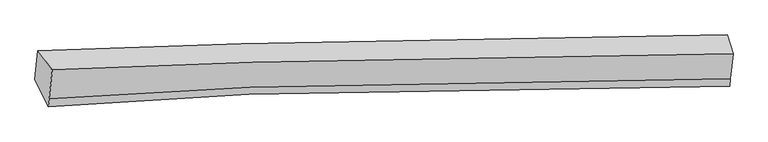
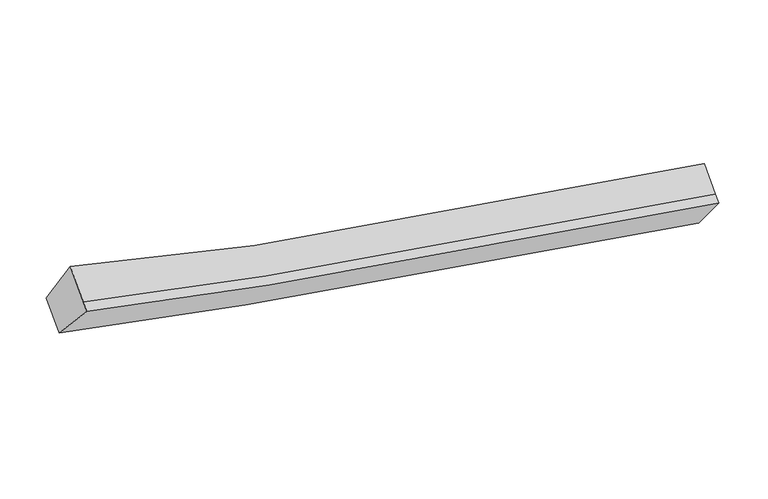
"""IFC4 building model written with IfcOpenShell, lengths in millimetres: proxy geometry."""

from ifc_helpers import new_model, si_unit, frame, origin, place, context, project, spatial, source, transform, mapped, element, save
from ifc_brep_helpers import plane_surface, spline_curve, spline_surface, advanced_brep


def generic_models_58641f17(model_context):
    return source(origin(), model_context, "Body", "AdvancedBrep", [
        advanced_brep(
        [(-4131.4577977, -1794.3491383, 3880.8724164), (-3915.4432486, -2089.2337768, 4520.3234779), (6403.7648188, -1845.2380476, 2508.4089325), (6313.763009, -1558.0313588, 1857.0786569), (-3962.6321239, -2529.0648891, 4200.9288915), (6363.0892222, -2224.3611513, 2233.0990158), (-3975.4551846, -2648.5841829, 4114.1369063), (6350.9808786, -2337.2188156, 2151.1445428), (-4178.0384538, -2228.5112499, 3565.5945195), (6274.6044929, -1923.0142826, 1592.0369927)],
        [
            (0, 1),
            (1, 2, spline_curve(3, [(-3915.4432486, -2089.2337768, 4520.3234779), (-2910.347109742, -2043.827854191, 4235.74039151), (-1899.625805024, -2004.731225942, 3976.442771526), (1514.428185922, -1894.593855345, 3190.362284857), (3943.44290326, -1852.358573711, 2779.021723596), (6403.7648188, -1845.2380476, 2508.4089325)], [4, 2, 4], [0.0, 10.341831749521562, 34.73970044448717])),
            (2, 3),
            (3, 0, spline_curve(3, [(6313.763009, -1558.0313588, 1857.0786569), (3834.645665877, -1581.455435362, 2159.411540796), (1379.317787937, -1627.28186244, 2582.148084116), (-2082.907422688, -1724.431631591, 3355.515960702), (-3109.31981348, -1757.377797521, 3607.377337675), (-4131.4577977, -1794.3491383, 3880.8724164)], [4, 2, 4], [0.0, 24.39786869496561, 34.73970044448717])),
            (1, 4),
            (4, 5, spline_curve(3, [(-3962.6321239, -2529.0648891, 4200.9288915), (-2954.533797502, -2455.676618009, 3936.665901484), (-1941.511633709, -2395.134483688, 3692.941482831), (1477.9154082, -2234.916766729, 2943.228118644), (3906.800359809, -2193.890988725, 2531.009244654), (6363.0892222, -2224.3611513, 2233.0990158)], [4, 2, 4], [0.0, 10.280890533439635, 34.53499013371395])),
            (5, 2),
            (4, 6),
            (6, 7, spline_curve(3, [(-3975.4551846, -2648.5841829, 4114.1369063), (-2967.047696507, -2572.31432408, 3851.966454783), (-1953.787293738, -2509.551646802, 3609.854540399), (1466.201788123, -2344.095349004, 2863.945304269), (3895.08674002, -2303.069571053, 2451.726431005), (6350.9808786, -2337.2188156, 2151.1445428)], [4, 2, 4], [0.0, 10.280636993483268, 34.53413845653062])),
            (7, 5),
            (6, 8),
            (8, 9, spline_curve(3, [(-4178.0384538, -2228.5112499, 3565.5945195), (-3152.689911952, -2161.615416034, 3313.829875025), (-2123.803474361, -2105.60952083, 3078.713909206), (1344.258368187, -1954.058533241, 2344.850865196), (3799.58624603, -1908.232105959, 1922.114321996), (6274.6044929, -1923.0142826, 1592.0369927)], [4, 2, 4], [0.0, 10.34028496562873, 34.73450457489745])),
            (9, 7),
            (8, 0),
            (3, 9),
        ],
        [
            spline_surface(3, 3, [[(-4131.4577977, -1794.3491383, 3880.8724164), (-3109.319813433, -1757.377797535, 3607.377337614), (-2082.90742254, -1724.431631574, 3355.515960767), (1379.317787588, -1627.281862482, 2582.148083964), (3834.645665572, -1581.455435241, 2159.411540972), (6313.763009, -1558.0313588, 1857.0786569)], [(-4059.452947974, -1892.644017813, 4094.022770214), (-3042.99557889, -1852.861149729, 3816.831688925), (-2021.81355001, -1817.864829664, 3562.491564319), (1424.354586924, -1716.385860191, 2784.886151026), (3870.911411437, -1671.756481523, 2365.948268471), (6343.763612274, -1653.766921724, 2074.188748751)], [(-3987.448098326, -1990.938897287, 4307.173124086), (-2976.671344423, -1948.344501883, 4026.286040294), (-1960.719677435, -1911.298027744, 3769.467167857), (1469.391386305, -1805.489857891, 2987.624218071), (3907.177157282, -1762.057527835, 2572.484996017), (6373.764215526, -1749.502484676, 2291.298840649)], [(-3915.4432486, -2089.2337768, 4520.3234779), (-2910.34710988, -2043.827854077, 4235.740391605), (-1899.625804906, -2004.731225834, 3976.442771409), (1514.428185641, -1894.5938556, 3190.362285133), (3943.442903148, -1852.358574118, 2779.021723516), (6403.7648188, -1845.2380476, 2508.4089325)]], [4, 4], [4, 2, 4], [0.0, 2.2527369928043686], [0.0, 10.341831749521562, 34.73970044448717]),
            spline_surface(3, 3, [[(-3915.4432486, -2089.2337768, 4520.3234779), (-2910.34710988, -2043.827854077, 4235.740391605), (-1899.625804906, -2004.731225834, 3976.442771409), (1514.428185641, -1894.5938556, 3190.362285133), (3943.442903148, -1852.358574118, 2779.021723516), (6403.7648188, -1845.2380476, 2508.4089325)], [(-3931.172873722, -2235.844147576, 4413.858615771), (-2925.076005771, -2181.110775377, 4136.048894943), (-1913.58774784, -2134.865645088, 3881.942341933), (1502.257259879, -2008.034826059, 3107.984229503), (3931.228722071, -1966.202712336, 2696.350897329), (6390.206286605, -1971.612415514, 2416.638960257)], [(-3946.902498778, -2382.454518324, 4307.393753629), (-2939.804901596, -2318.39369665, 4036.357398266), (-1927.54969082, -2265.000064333, 3787.441912471), (1490.086334069, -2121.475796509, 3025.606173888), (3919.014540978, -2080.046850512, 2613.68007117), (6376.647754395, -2097.986783386, 2324.868988043)], [(-3962.6321239, -2529.0648891, 4200.9288915), (-2954.533797487, -2455.67661795, 3936.665901604), (-1941.511633754, -2395.134483587, 3692.941482995), (1477.915408307, -2234.916766968, 2943.228118259), (3906.800359901, -2193.890988731, 2531.009244984), (6363.0892222, -2224.3611513, 2233.0990158)]], [4, 4], [4, 2, 4], [0.0, 1.441376065094444], [0.0, 10.280890533439635, 34.53499013371395]),
            spline_surface(3, 3, [[(-3962.6321239, -2529.0648891, 4200.9288915), (-2954.533797487, -2455.67661795, 3936.665901604), (-1941.511633754, -2395.134483587, 3692.941482995), (1477.915408307, -2234.916766968, 2943.228118259), (3906.800359901, -2193.890988731, 2531.009244984), (6363.0892222, -2224.3611513, 2233.0990158)], [(-3966.906477472, -2568.904653693, 4171.998229759), (-2958.705097203, -2494.555853355, 3908.432752645), (-1945.603520462, -2433.273537933, 3665.2458354), (1474.010868308, -2271.309627727, 2916.800513699), (3902.895819903, -2230.283849489, 2504.581640425), (6359.053107653, -2261.980372716, 2205.780858154)], [(-3971.180831028, -2608.744418307, 4143.067568041), (-2962.876396903, -2533.435088781, 3880.199603708), (-1949.695407128, -2471.412592332, 3637.550187845), (1470.106328352, -2307.702488537, 2890.372909179), (3898.991279946, -2266.6767103, 2478.154035805), (6355.016993147, -2299.599594184, 2178.462700446)], [(-3975.4551846, -2648.5841829, 4114.1369063), (-2967.047696619, -2572.314324187, 3851.966454749), (-1953.787293835, -2509.551646678, 3609.85454025), (1466.201788353, -2344.095349296, 2863.94530462), (3895.086739948, -2303.069571058, 2451.726431245), (6350.9808786, -2337.2188156, 2151.1445428)]], [4, 4], [4, 2, 4], [0.0, 0.4501052884720451], [0.0, 10.280636993483268, 34.53413845653062]),
            spline_surface(3, 3, [[(-3975.4551846, -2648.5841829, 4114.1369063), (-2967.047696619, -2572.314324187, 3851.966454749), (-1953.787293835, -2509.551646678, 3609.85454025), (1466.201788353, -2344.095349296, 2863.94530462), (3895.086739948, -2303.069571058, 2451.726431245), (6350.9808786, -2337.2188156, 2151.1445428)], [(-4042.982940992, -2508.559871911, 3931.289444057), (-3028.928435005, -2435.414688127, 3672.58759488), (-2010.459353955, -2374.904271398, 3432.80766322), (1425.553981523, -2214.083077322, 2690.913824866), (3863.253241902, -2171.457082752, 2275.18906161), (6325.522083362, -2199.15063795, 1964.77535943)], [(-4110.510697408, -2368.535560889, 3748.441981743), (-3090.809173416, -2298.515052034, 3493.208734942), (-2067.131414095, -2240.256896073, 3255.760786174), (1384.906174672, -2084.070805304, 2517.882345095), (3831.419743871, -2039.844594396, 2098.651691984), (6300.063288138, -2061.08246025, 1778.40617607)], [(-4178.0384538, -2228.5112499, 3565.5945195), (-3152.689911802, -2161.615415975, 3313.829875074), (-2123.803474215, -2105.609520792, 3078.713909144), (1344.258367841, -1954.05853333, 2344.850865341), (3799.586245825, -1908.232106089, 1922.114322349), (6274.6044929, -1923.0142826, 1592.0369927)]], [4, 4], [4, 2, 4], [0.0, 2.1961581505737864], [0.0, 10.34028496562873, 34.73450457489745]),
            spline_surface(3, 3, [[(-4178.0384538, -2228.5112499, 3565.5945195), (-3152.689911802, -2161.615415975, 3313.829875074), (-2123.803474215, -2105.609520792, 3078.713909144), (1344.258367841, -1954.05853333, 2344.850865341), (3799.586245825, -1908.232106089, 1922.114322349), (6274.6044929, -1923.0142826, 1592.0369927)], [(-4162.51156844, -2083.790546007, 3670.687151799), (-3138.233212352, -2026.869543135, 3411.679029253), (-2110.171456983, -1978.550224383, 3170.981259693), (1355.944841097, -1845.132976377, 2423.949938223), (3811.272719081, -1799.306549136, 2001.213395231), (6287.657331607, -1801.353307997, 1680.384214108)], [(-4146.98468306, -1939.069842193, 3775.779784101), (-3123.776512882, -1892.123670375, 3509.528183435), (-2096.539439771, -1851.490927983, 3263.248610218), (1367.631314332, -1736.207419435, 2503.049011082), (3822.959192316, -1690.380992193, 2080.31246809), (6300.710170293, -1679.692333403, 1768.731435492)], [(-4131.4577977, -1794.3491383, 3880.8724164), (-3109.319813433, -1757.377797535, 3607.377337614), (-2082.90742254, -1724.431631574, 3355.515960767), (1379.317787588, -1627.281862482, 2582.148083964), (3834.645665572, -1581.455435241, 2159.411540972), (6313.763009, -1558.0313588, 1857.0786569)]], [4, 4], [4, 2, 4], [0.0, 1.389770942654284], [0.0, 10.400381097474337, 34.936376126161605]),
            plane_surface(frame((6335.7782998, -1915.8756262, 2027.1672812), z_axis=(0.9902600648538751, -0.005208978704030448, -0.1391325644716594), x_axis=(-0.10910912244909574, 0.5917207613580431, -0.7987250715836121))),
            plane_surface(frame((-4050.0986712, -2190.169587, 4020.23183), z_axis=(-0.955695122268404, -0.09881612431684399, 0.2772764087465399), x_axis=(-0.08648816886717219, -0.8061261732004055, -0.5853890924225301))),
        ],
        [
            (0, [[1, 2, 3, 4]]),
            (1, [[5, 6, 7, -2]]),
            (2, [[8, 9, 10, -6]]),
            (3, [[11, 12, 13, -9]]),
            (4, [[14, -4, 15, -12]]),
            (5, [[-13, -15, -3, -7, -10]]),
            (6, [[-14, -11, -8, -5, -1]]),
        ],
    ),
    ])


if __name__ == "__main__":
    model = new_model("IFC4")
    model_context = context("Model", 3, world=origin())
    ifc_project = project(units=[si_unit("LENGTHUNIT", "METRE", prefix="MILLI")], contexts=[model_context])
    site = spatial("IfcSite", under=ifc_project)
    building = spatial("IfcBuilding", under=site)
    placement = place(None, origin())
    generic_models_shape = generic_models_58641f17(model_context)
    element("IfcBuildingElementProxy", 1, Name="Generic Models", at=placement, inside=building, context=model_context, shape_type="MappedRepresentation", body=[
        mapped(generic_models_shape, transform((0.0, 0.0, 0.0), x_axis=(1.0, 0.0, 0.0), y_axis=(0.0, 1.0, 0.0), z_axis=(0.0, 0.0, 1.0))),
    ])
    save(model, "model.ifc")
